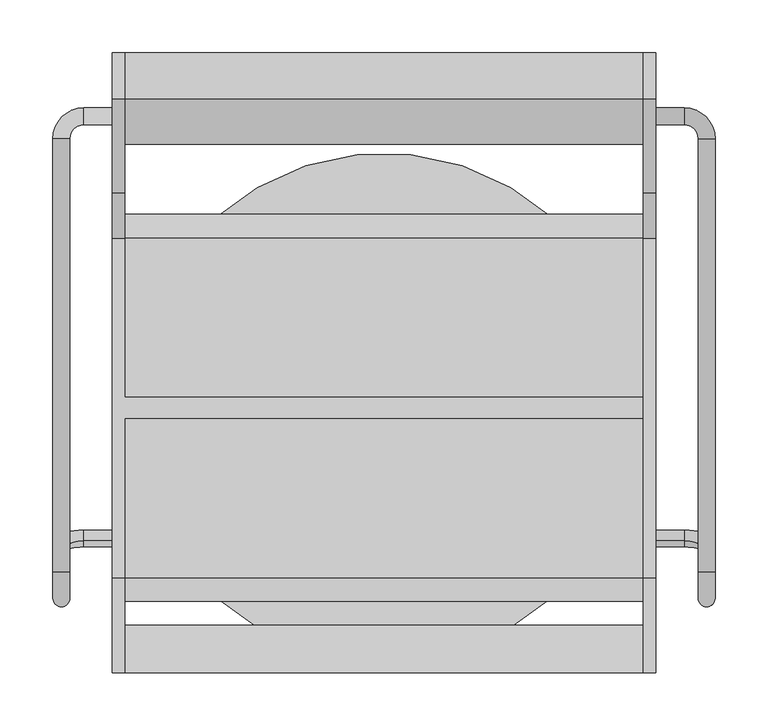
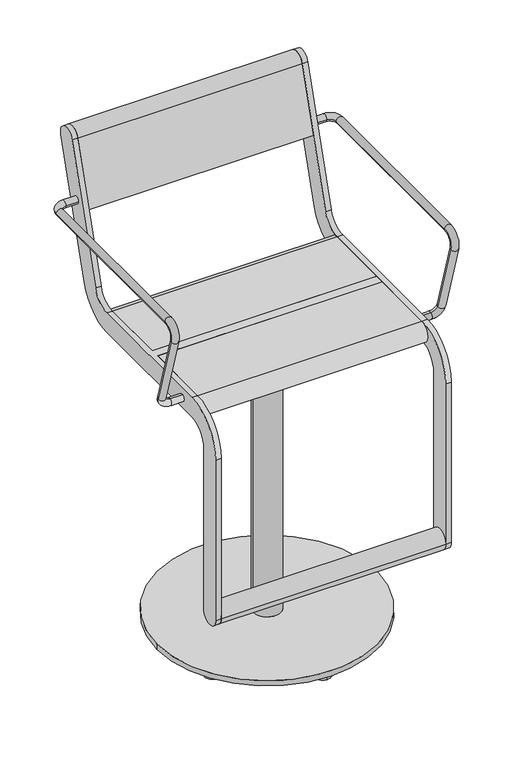
"""IFC4 building model written with IfcOpenShell, lengths in millimetres: furniture geometry."""

from ifc_helpers import new_model, si_unit, point, frame, frame_2d, origin, origin_2d, place, context, project, spatial, polyline, circle_curve, ellipse_curve, trimmed, segment, composite_curve, outline, extrude, source, transform, mapped, element, save
from ifc_brep_helpers import plane_surface, cylinder_surface, revolved_surface, advanced_brep


def furniture_d86000d9(model_context):
    return source(origin(), model_context, "Body", "SolidModel", [
        extrude(outline(composite_curve([segment(trimmed(circle_curve(origin_2d(), 40.0), [point((-40.0, 0.0))], [point((40.0, 0.0))], False, "CARTESIAN"), True, "CONTINUOUS"), segment(trimmed(circle_curve(origin_2d(), 40.0), [point((40.0, 0.0))], [point((-40.0, 0.0))], False, "CARTESIAN"), True, "CONTINUOUS")], self_intersect=False)), frame((0.0, 0.0, 578.999979), z_axis=(0.0, 0.0, 1.0), x_axis=(1.0, 0.0, 0.0)), (0.0, 0.0, 1.0), 60.0000441),
        extrude(outline(polyline([(75.0, 125.0), (75.0, -125.0), (-75.0, -125.0), (-75.0, 125.0), (75.0, 125.0)])), frame((0.0, 0.0, 639.0000231), z_axis=(0.0, 0.0, 1.0), x_axis=(1.0, 0.0, 0.0)), (0.0, 0.0, 1.0), 15.9999681),
        advanced_brep(
        [(-30.0, 0.0, 578.999979), (30.0, 0.0, 578.999979), (-30.0, 0.0, 27.0), (30.0, 0.0, 27.0), (-240.0, 0.0, 27.0), (240.0, 0.0, 27.0), (-240.0, 0.0, 15.0), (240.0, 0.0, 15.0), (0.0, 227.9750039, 15.0), (0.0, 193.9750039, 15.0), (180.0, -121.1370998, 15.0), (180.0, -87.1370998, 15.0), (0.0, -227.9750039, 15.0), (0.0, -193.9750039, 15.0), (-180.0, -121.1370998, 15.0), (-180.0, -87.1370998, 15.0), (180.0, 121.1370998, 15.0), (180.0, 87.1370998, 15.0), (-180.0, 121.1370998, 15.0), (-180.0, 87.1370998, 15.0), (0.0, 227.9750039, 0.0), (0.0, 193.9750039, 0.0), (180.0, -121.1370998, 0.0), (180.0, -87.1370998, 0.0), (0.0, -227.9750039, 0.0), (0.0, -193.9750039, 0.0), (-180.0, -121.1370998, 0.0), (-180.0, -87.1370998, 0.0), (180.0, 121.1370998, 0.0), (180.0, 87.1370998, 0.0), (-180.0, 121.1370998, 0.0), (-180.0, 87.1370998, 0.0)],
        [
            (0, 1, circle_curve(frame((0.0, 0.0, 578.999979), z_axis=(0.0, 0.0, 1.0), x_axis=(1.0, 0.0, 0.0)), 30.0)),
            (1, 0, circle_curve(frame((0.0, 0.0, 578.999979), z_axis=(0.0, 0.0, 1.0), x_axis=(1.0, 0.0, 0.0)), 30.0)),
            (0, 2),
            (2, 3, circle_curve(frame((0.0, 0.0, 27.0), z_axis=(0.0, 0.0, 1.0), x_axis=(1.0, 0.0, 0.0)), 30.0)),
            (3, 1),
            (3, 2, circle_curve(frame((0.0, 0.0, 27.0), z_axis=(0.0, 0.0, 1.0), x_axis=(1.0, 0.0, 0.0)), 30.0)),
            (4, 5, circle_curve(frame((0.0, 0.0, 27.0), z_axis=(0.0, 0.0, 1.0), x_axis=(1.0, 0.0, 0.0)), 240.0)),
            (5, 4, circle_curve(frame((0.0, 0.0, 27.0), z_axis=(0.0, 0.0, 1.0), x_axis=(1.0, 0.0, 0.0)), 240.0)),
            (6, 7, circle_curve(frame((0.0, 0.0, 15.0), z_axis=(0.0, 0.0, -1.0), x_axis=(1.0, 0.0, 0.0)), 240.0)),
            (7, 6, circle_curve(frame((0.0, 0.0, 15.0), z_axis=(0.0, 0.0, -1.0), x_axis=(1.0, 0.0, 0.0)), 240.0)),
            (8, 9, circle_curve(frame((0.0, 210.9750039, 15.0), z_axis=(0.0, 0.0, 1.0), x_axis=(0.0, -1.0, 0.0)), 17.0)),
            (9, 8, circle_curve(frame((0.0, 210.9750039, 15.0), z_axis=(0.0, 0.0, 1.0), x_axis=(0.0, -1.0, 0.0)), 17.0)),
            (10, 11, circle_curve(frame((180.0, -104.1370998, 15.0), z_axis=(0.0, 0.0, 1.0), x_axis=(0.0, 1.0, 0.0)), 17.0)),
            (11, 10, circle_curve(frame((180.0, -104.1370998, 15.0), z_axis=(0.0, 0.0, 1.0), x_axis=(0.0, 1.0, 0.0)), 17.0)),
            (12, 13, circle_curve(frame((0.0, -210.9750039, 15.0), z_axis=(0.0, 0.0, 1.0), x_axis=(0.0, 1.0, 0.0)), 17.0)),
            (13, 12, circle_curve(frame((0.0, -210.9750039, 15.0), z_axis=(0.0, 0.0, 1.0), x_axis=(0.0, 1.0, 0.0)), 17.0)),
            (14, 15, circle_curve(frame((-180.0, -104.1370998, 15.0), z_axis=(0.0, 0.0, 1.0), x_axis=(0.0, 1.0, 0.0)), 17.0)),
            (15, 14, circle_curve(frame((-180.0, -104.1370998, 15.0), z_axis=(0.0, 0.0, 1.0), x_axis=(0.0, 1.0, 0.0)), 17.0)),
            (16, 17, circle_curve(frame((180.0, 104.1370998, 15.0), z_axis=(0.0, 0.0, 1.0), x_axis=(0.0, -1.0, 0.0)), 17.0)),
            (17, 16, circle_curve(frame((180.0, 104.1370998, 15.0), z_axis=(0.0, 0.0, 1.0), x_axis=(0.0, -1.0, 0.0)), 17.0)),
            (18, 19, circle_curve(frame((-180.0, 104.1370998, 15.0), z_axis=(0.0, 0.0, 1.0), x_axis=(0.0, -1.0, 0.0)), 17.0)),
            (19, 18, circle_curve(frame((-180.0, 104.1370998, 15.0), z_axis=(0.0, 0.0, 1.0), x_axis=(0.0, -1.0, 0.0)), 17.0)),
            (20, 21, circle_curve(frame((0.0, 210.9750039, 0.0), z_axis=(0.0, 0.0, -1.0), x_axis=(0.0, -1.0, 0.0)), 17.0)),
            (21, 20, circle_curve(frame((0.0, 210.9750039, 0.0), z_axis=(0.0, 0.0, -1.0), x_axis=(0.0, -1.0, 0.0)), 17.0)),
            (22, 23, circle_curve(frame((180.0, -104.1370998, 0.0), z_axis=(0.0, 0.0, -1.0), x_axis=(0.0, 1.0, 0.0)), 17.0)),
            (23, 22, circle_curve(frame((180.0, -104.1370998, 0.0), z_axis=(0.0, 0.0, -1.0), x_axis=(0.0, 1.0, 0.0)), 17.0)),
            (24, 25, circle_curve(frame((0.0, -210.9750039, 0.0), z_axis=(0.0, 0.0, -1.0), x_axis=(0.0, 1.0, 0.0)), 17.0)),
            (25, 24, circle_curve(frame((0.0, -210.9750039, 0.0), z_axis=(0.0, 0.0, -1.0), x_axis=(0.0, 1.0, 0.0)), 17.0)),
            (26, 27, circle_curve(frame((-180.0, -104.1370998, 0.0), z_axis=(0.0, 0.0, -1.0), x_axis=(0.0, 1.0, 0.0)), 17.0)),
            (27, 26, circle_curve(frame((-180.0, -104.1370998, 0.0), z_axis=(0.0, 0.0, -1.0), x_axis=(0.0, 1.0, 0.0)), 17.0)),
            (28, 29, circle_curve(frame((180.0, 104.1370998, 0.0), z_axis=(0.0, 0.0, -1.0), x_axis=(0.0, -1.0, 0.0)), 17.0)),
            (29, 28, circle_curve(frame((180.0, 104.1370998, 0.0), z_axis=(0.0, 0.0, -1.0), x_axis=(0.0, -1.0, 0.0)), 17.0)),
            (30, 31, circle_curve(frame((-180.0, 104.1370998, 0.0), z_axis=(0.0, 0.0, -1.0), x_axis=(0.0, -1.0, 0.0)), 17.0)),
            (31, 30, circle_curve(frame((-180.0, 104.1370998, 0.0), z_axis=(0.0, 0.0, -1.0), x_axis=(0.0, -1.0, 0.0)), 17.0)),
            (21, 9),
            (8, 20),
            (23, 11),
            (10, 22),
            (4, 6),
            (7, 5),
            (25, 13),
            (12, 24),
            (27, 15),
            (14, 26),
            (29, 17),
            (16, 28),
            (31, 19),
            (18, 30),
        ],
        [
            plane_surface(frame((30.0, 0.0, 578.999979), z_axis=(0.0, 0.0, 1.0), x_axis=(0.0, 1.0, 0.0))),
            cylinder_surface(frame((0.0, 0.0, 27.0), z_axis=(0.0, 0.0, 1.0), x_axis=(1.0, 0.0, 0.0)), 30.0),
            plane_surface(frame((240.0, 0.0, 27.0), z_axis=(0.0, 0.0, 1.0), x_axis=(0.0, 1.0, 0.0))),
            plane_surface(frame((240.0, 0.0, 15.0), z_axis=(0.0, 0.0, -1.0), x_axis=(0.0, -1.0, 0.0))),
            plane_surface(frame((0.0, 193.9750039, 0.0), z_axis=(0.0, 0.0, -1.0), x_axis=(-1.0, 0.0, 0.0))),
            cylinder_surface(frame((0.0, 210.9750039, 0.0), z_axis=(0.0, 0.0, 1.0), x_axis=(0.0, -1.0, 0.0)), 17.0),
            cylinder_surface(frame((180.0, -104.1370998, 0.0), z_axis=(0.0, 0.0, 1.0), x_axis=(0.0, 1.0, 0.0)), 17.0),
            cylinder_surface(frame((0.0, 0.0, 15.0), z_axis=(0.0, 0.0, 1.0), x_axis=(1.0, 0.0, 0.0)), 240.0),
            cylinder_surface(frame((0.0, -210.9750039, 0.0), z_axis=(0.0, 0.0, 1.0), x_axis=(0.0, 1.0, 0.0)), 17.0),
            cylinder_surface(frame((-180.0, -104.1370998, 0.0), z_axis=(0.0, 0.0, 1.0), x_axis=(0.0, 1.0, 0.0)), 17.0),
            cylinder_surface(frame((180.0, 104.1370998, 0.0), z_axis=(0.0, 0.0, 1.0), x_axis=(0.0, -1.0, 0.0)), 17.0),
            cylinder_surface(frame((-180.0, 104.1370998, 0.0), z_axis=(0.0, 0.0, 1.0), x_axis=(0.0, -1.0, 0.0)), 17.0),
        ],
        [
            (0, [[1, 2]]),
            (1, [[-1, 3, 4, 5]]),
            (1, [[-2, -5, 6, -3]]),
            (2, [[7, 8], [-4, -6]]),
            (3, [[9, 10], [11, 12], [13, 14], [15, 16], [17, 18], [19, 20], [21, 22]]),
            (4, [[23, 24]]),
            (4, [[25, 26]]),
            (4, [[27, 28]]),
            (4, [[29, 30]]),
            (4, [[31, 32]]),
            (4, [[33, 34]]),
            (5, [[-24, 35, -11, 36]]),
            (5, [[-23, -36, -12, -35]]),
            (6, [[-26, 37, -13, 38]]),
            (6, [[-25, -38, -14, -37]]),
            (7, [[-7, 39, -10, 40]]),
            (7, [[-8, -40, -9, -39]]),
            (8, [[-28, 41, -15, 42]]),
            (8, [[-27, -42, -16, -41]]),
            (9, [[-30, 43, -17, 44]]),
            (9, [[-29, -44, -18, -43]]),
            (10, [[-32, 45, -19, 46]]),
            (10, [[-31, -46, -20, -45]]),
            (11, [[-34, 47, -21, 48]]),
            (11, [[-33, -48, -22, -47]]),
        ],
    ),
        advanced_brep(
        [(257.0, 267.0, 891.4999912), (257.0, 283.0, 891.4999912), (284.0, 267.0, 891.4999912), (284.0, 283.0, 891.4999912), (297.0, 254.0, 891.4999912), (313.0, 254.0, 891.4999912), (297.0, -155.6408049, 891.4999912), (313.0, -155.6408049, 891.4999912), (313.0, -179.5484238, 859.1906986), (297.0, -179.5484238, 859.1906986), (313.0, -130.1398058, 697.5823911), (297.0, -130.1398058, 697.5823911), (257.0, -126.3389736, 685.1504293), (257.0, -121.6610264, 669.8495532), (284.0, -121.6610264, 669.8495532), (284.0, -126.3389736, 685.1504293)],
        [
            (0, 1, circle_curve(frame((257.0, 275.0, 891.4999912), z_axis=(-1.0, 0.0, 0.0), x_axis=(0.0, 1.0, 0.0)), 8.0)),
            (1, 0, circle_curve(frame((257.0, 275.0, 891.4999912), z_axis=(-1.0, 0.0, 0.0), x_axis=(0.0, 1.0, 0.0)), 8.0)),
            (0, 2),
            (2, 3, circle_curve(frame((284.0, 275.0, 891.4999912), z_axis=(-1.0, 0.0, 0.0), x_axis=(0.0, 1.0, 0.0)), 8.0)),
            (3, 1),
            (3, 2, circle_curve(frame((284.0, 275.0, 891.4999912), z_axis=(-1.0, 0.0, 0.0), x_axis=(0.0, 1.0, 0.0)), 8.0)),
            (2, 4, circle_curve(frame((284.0, 254.0, 891.4999912), z_axis=(0.0, 0.0, -1.0), x_axis=(0.0, 1.0, 0.0)), 13.0)),
            (4, 5, circle_curve(frame((305.0, 254.0, 891.4999912), z_axis=(0.0, 1.0, 0.0), x_axis=(1.0, 0.0, 0.0)), 8.0)),
            (5, 3, circle_curve(frame((284.0, 254.0, 891.4999912), z_axis=(0.0, 0.0, 1.0), x_axis=(0.0, 1.0, 0.0)), 29.0)),
            (5, 4, circle_curve(frame((305.0, 254.0, 891.4999912), z_axis=(0.0, 1.0, 0.0), x_axis=(1.0, 0.0, 0.0)), 8.0)),
            (4, 6),
            (6, 7, circle_curve(frame((305.0, -155.6408049, 891.4999912), z_axis=(0.0, 1.0, 0.0), x_axis=(1.0, 0.0, 0.0)), 8.0)),
            (7, 5),
            (7, 6, circle_curve(frame((305.0, -155.6408049, 891.4999912), z_axis=(0.0, 1.0, 0.0), x_axis=(1.0, 0.0, 0.0)), 8.0)),
            (7, 8, circle_curve(frame((313.0, -155.6408049, 866.4999912), z_axis=(1.0, 0.0, 0.0), x_axis=(0.0, 0.0, 1.0)), 25.0)),
            (8, 9, circle_curve(frame((305.0, -179.5484238, 859.1906986), z_axis=(0.0, -0.2923717047227431, 0.9563047559630335), x_axis=(1.0, 0.0, 0.0)), 8.0)),
            (9, 6, circle_curve(frame((297.0, -155.6408049, 866.4999912), z_axis=(-1.0, 0.0, 0.0), x_axis=(0.0, 0.0, 1.0)), 25.0)),
            (9, 8, circle_curve(frame((305.0, -179.5484238, 859.1906986), z_axis=(0.0, -0.2923717047227435, 0.9563047559630334), x_axis=(1.0, 0.0, 0.0)), 8.0)),
            (8, 10),
            (10, 11, circle_curve(frame((305.0, -130.1398058, 697.5823911), z_axis=(0.0, -0.2923717047227379, 0.9563047559630351), x_axis=(1.0, 0.0, 0.0)), 8.0)),
            (11, 9),
            (11, 10, circle_curve(frame((305.0, -130.1398058, 697.5823911), z_axis=(0.0, -0.2923717047227379, 0.9563047559630351), x_axis=(1.0, 0.0, 0.0)), 8.0)),
            (12, 13, circle_curve(frame((257.0, -124.0, 677.4999912), z_axis=(-1.0, 0.0, 0.0), x_axis=(0.0, 0.2923717047227402, -0.9563047559630344)), 8.0)),
            (13, 12, circle_curve(frame((257.0, -124.0, 677.4999912), z_axis=(-1.0, 0.0, 0.0), x_axis=(0.0, 0.2923717047227402, -0.9563047559630344)), 8.0)),
            (13, 14),
            (14, 15, circle_curve(frame((284.0, -124.0, 677.4999912), z_axis=(-1.0, 0.0, 0.0), x_axis=(0.0, 0.2923717047227402, -0.9563047559630344)), 8.0)),
            (15, 12),
            (15, 14, circle_curve(frame((284.0, -124.0, 677.4999912), z_axis=(-1.0, 0.0, 0.0), x_axis=(0.0, 0.2923717047227402, -0.9563047559630344)), 8.0)),
            (14, 10, circle_curve(frame((284.0, -130.1398058, 697.5823911), z_axis=(0.0, -0.9563047559630344, -0.29237170472274027), x_axis=(0.0, 0.29237170472274027, -0.9563047559630344)), 29.0)),
            (11, 15, circle_curve(frame((284.0, -130.1398058, 697.5823911), z_axis=(0.0, 0.9563047559630344, 0.29237170472274027), x_axis=(0.0, 0.29237170472274027, -0.9563047559630344)), 13.0)),
        ],
        [
            plane_surface(frame((257.0, 275.0, -99.999782), z_axis=(-1.0, 0.0, 0.0), x_axis=(0.0, 0.0, 1.0))),
            cylinder_surface(frame((257.0, 275.0, 891.4999912), z_axis=(-1.0, 0.0, 0.0), x_axis=(0.0, 1.0, 0.0)), 8.0),
            revolved_surface(trimmed(ellipse_curve(frame((284.0, 275.0, 891.4999912), z_axis=(-1.0, 0.0, 0.0), x_axis=(0.0, 1.0, 0.0)), 8.0, 8.0), [point((284.0, 267.0, 891.4999912))], [point((284.0, 283.0, 891.4999912))], True, "CARTESIAN"), (284.0, 254.0, -99.999782), (0.0, 0.0, -1.0)),
            revolved_surface(trimmed(ellipse_curve(frame((284.0, 275.0, 891.4999912), z_axis=(-1.0, 0.0, 0.0), x_axis=(0.0, 1.0, 0.0)), 8.0, 8.0), [point((284.0, 283.0, 891.4999912))], [point((284.0, 267.0, 891.4999912))], True, "CARTESIAN"), (284.0, 254.0, -99.999782), (0.0, 0.0, -1.0)),
            cylinder_surface(frame((305.0, 254.0, 891.4999912), z_axis=(0.0, 1.0, 0.0), x_axis=(1.0, 0.0, 0.0)), 8.0),
            revolved_surface(trimmed(ellipse_curve(frame((305.0, -155.6408049, 891.4999912), z_axis=(0.0, 1.0, 0.0), x_axis=(1.0, 0.0, 0.0)), 8.0, 8.0), [point((313.0, -155.6408049, 891.4999912))], [point((297.0, -155.6408049, 891.4999912))], True, "CARTESIAN"), (0.0, -155.6408049, 866.4999912), (1.0, 0.0, 0.0)),
            revolved_surface(trimmed(ellipse_curve(frame((305.0, -155.6408049, 891.4999912), z_axis=(0.0, 1.0, 0.0), x_axis=(1.0, 0.0, 0.0)), 8.0, 8.0), [point((297.0, -155.6408049, 891.4999912))], [point((313.0, -155.6408049, 891.4999912))], True, "CARTESIAN"), (0.0, -155.6408049, 866.4999912), (1.0, 0.0, 0.0)),
            cylinder_surface(frame((305.0, -179.5484238, 859.1906986), z_axis=(0.0, -0.2923717047227379, 0.9563047559630351), x_axis=(1.0, 0.0, 0.0)), 8.0),
            plane_surface(frame((257.0, 489.469501, 865.0564398), z_axis=(-1.0, 0.0, 0.0), x_axis=(0.0, -0.9563047559630344, -0.29237170472274027))),
            cylinder_surface(frame((257.0, -124.0, 677.4999912), z_axis=(-1.0, 0.0, 0.0), x_axis=(0.0, 0.2923717047227402, -0.9563047559630344)), 8.0),
            revolved_surface(trimmed(ellipse_curve(frame((284.0, -124.0, 677.4999912), z_axis=(-1.0, 0.0, 0.0), x_axis=(0.0, 0.2923717047227402, -0.9563047559630344)), 8.0, 8.0), [point((284.0, -121.6610264, 669.8495532))], [point((284.0, -126.3389736, 685.1504293))], True, "CARTESIAN"), (284.0, 483.3296952, 885.1388397), (0.0, -0.9563047559630344, -0.29237170472274027)),
            revolved_surface(trimmed(ellipse_curve(frame((284.0, -124.0, 677.4999912), z_axis=(-1.0, 0.0, 0.0), x_axis=(0.0, 0.2923717047227402, -0.9563047559630344)), 8.0, 8.0), [point((284.0, -126.3389736, 685.1504293))], [point((284.0, -121.6610264, 669.8495532))], True, "CARTESIAN"), (284.0, 483.3296952, 885.1388397), (0.0, -0.9563047559630344, -0.29237170472274027)),
        ],
        [
            (0, [[1, 2]]),
            (1, [[-1, 3, 4, 5]]),
            (1, [[-2, -5, 6, -3]]),
            (2, [[-4, 7, 8, 9]]),
            (3, [[-6, -9, 10, -7]]),
            (4, [[11, 12, 13, -8]]),
            (4, [[-11, -10, -13, 14]]),
            (5, [[-14, 15, 16, 17]]),
            (6, [[-12, -17, 18, -15]]),
            (7, [[-16, 19, 20, 21]]),
            (7, [[-18, -21, 22, -19]]),
            (8, [[23, 24]]),
            (9, [[-24, 25, 26, 27]]),
            (9, [[-23, -27, 28, -25]]),
            (10, [[-26, 29, -22, 30]]),
            (11, [[-28, -30, -20, -29]]),
        ],
    ),
        extrude(outline(composite_curve([segment(trimmed(circle_curve(frame_2d((-228.4999475, 240.0002133)), 22.4999984), [point((-205.9999492, 240.0002133))], [point((-250.9999459, 240.0002133))], False, "CARTESIAN"), True, "CONTINUOUS"), segment(trimmed(circle_curve(frame_2d((-228.4999475, 240.0002133)), 22.4999984), [point((-250.9999459, 240.0002133))], [point((-205.9999492, 240.0002133))], False, "CARTESIAN"), True, "CONTINUOUS")], self_intersect=False)), frame((-245.0, 0.0, 0.0), z_axis=(1.0, 0.0, 0.0), x_axis=(0.0, 1.0, 0.0)), (0.0, 0.0, 1.0), 490.0),
        extrude(outline(composite_curve([segment(trimmed(circle_curve(frame_2d((312.5544541, 1013.1126327)), 22.5), [point((291.0375971, 1019.6909961))], [point((334.0713112, 1006.5342693))], False, "CARTESIAN"), True, "CONTINUOUS"), segment(polyline([(334.0713112, 1006.5342693), (246.067428, 718.6865378)]), True, "CONTINUOUS"), segment(trimmed(circle_curve(frame_2d((160.0, 744.9999912)), 90.0), [point((246.067428, 718.6865378))], [point((160.0, 654.9999912))], False, "CARTESIAN"), True, "CONTINUOUS"), segment(polyline([(160.0, 654.9999912), (-161.000007, 654.9999912)]), True, "CONTINUOUS"), segment(trimmed(circle_curve(frame_2d((-161.000007, 610.000049)), 44.9999422), [point((-161.000007, 654.9999912))], [point((-205.9999492, 610.000049))], True, "CARTESIAN"), True, "CONTINUOUS"), segment(polyline([(-205.9999492, 610.000049), (-205.9999492, 240.0002133)]), True, "CONTINUOUS"), segment(trimmed(circle_curve(frame_2d((-228.4999475, 240.0002133)), 22.4999984), [point((-205.9999492, 240.0002133))], [point((-250.9999459, 240.0002133))], False, "CARTESIAN"), True, "CONTINUOUS"), segment(polyline([(-250.9999459, 240.0002133), (-250.9999459, 610.0000453)]), True, "CONTINUOUS"), segment(trimmed(circle_curve(frame_2d((-161.0, 610.0000453)), 89.9999459), [point((-250.9999459, 610.0000453))], [point((-161.0, 699.9999912))], False, "CARTESIAN"), True, "CONTINUOUS"), segment(polyline([(-161.0, 699.9999912), (160.0, 699.9999912)]), True, "CONTINUOUS"), segment(trimmed(circle_curve(frame_2d((160.0, 744.9999912)), 45.0), [point((160.0, 699.9999912))], [point((203.033714, 731.8432645))], True, "CARTESIAN"), True, "CONTINUOUS"), segment(polyline([(203.033714, 731.8432645), (291.0375971, 1019.6909961)]), True, "CONTINUOUS")], self_intersect=False)), frame((245.0000214, 0.0, 0.0), z_axis=(1.0, 0.0, 0.0), x_axis=(0.0, 1.0, 0.0)), (0.0, 0.0, 1.0), 12.0),
        advanced_brep(
        [(-313.0, 254.0, 891.4999912), (-313.0, -155.6408049, 891.4999912), (-297.0, -155.6408049, 891.4999912), (-297.0, 254.0, 891.4999912), (-257.0, 267.0, 891.4999912), (-257.0, 283.0, 891.4999912), (-284.0, 283.0, 891.4999912), (-284.0, 267.0, 891.4999912), (-297.0, -179.5484238, 859.1906986), (-313.0, -179.5484238, 859.1906986), (-297.0, -130.1398058, 697.5823911), (-313.0, -130.1398058, 697.5823911), (-257.0, -126.3389736, 685.1504293), (-257.0, -121.6610264, 669.8495532), (-284.0, -126.3389736, 685.1504293), (-284.0, -121.6610264, 669.8495532)],
        [
            (0, 1),
            (1, 2, circle_curve(frame((-305.0, -155.6408049, 891.4999912), z_axis=(0.0, 1.0, 0.0), x_axis=(-1.0, 0.0, 0.0)), 8.0)),
            (2, 3),
            (3, 0, circle_curve(frame((-305.0, 254.0, 891.4999912), z_axis=(0.0, -1.0, 0.0), x_axis=(-1.0, 0.0, 0.0)), 8.0)),
            (0, 3, circle_curve(frame((-305.0, 254.0, 891.4999912), z_axis=(0.0, -1.0, 0.0), x_axis=(-1.0, 0.0, 0.0)), 8.0)),
            (2, 1, circle_curve(frame((-305.0, -155.6408049, 891.4999912), z_axis=(0.0, 1.0, 0.0), x_axis=(-1.0, 0.0, 0.0)), 8.0)),
            (4, 5, circle_curve(frame((-257.0, 275.0, 891.4999912), z_axis=(1.0, 0.0, 0.0), x_axis=(0.0, 1.0, 0.0)), 8.0)),
            (5, 4, circle_curve(frame((-257.0, 275.0, 891.4999912), z_axis=(1.0, 0.0, 0.0), x_axis=(0.0, 1.0, 0.0)), 8.0)),
            (5, 6),
            (6, 7, circle_curve(frame((-284.0, 275.0, 891.4999912), z_axis=(1.0, 0.0, 0.0), x_axis=(0.0, 1.0, 0.0)), 8.0)),
            (7, 4),
            (7, 6, circle_curve(frame((-284.0, 275.0, 891.4999912), z_axis=(1.0, 0.0, 0.0), x_axis=(0.0, 1.0, 0.0)), 8.0)),
            (6, 0, circle_curve(frame((-284.0, 254.0, 891.4999912), z_axis=(0.0, 0.0, 1.0), x_axis=(0.0, 1.0, 0.0)), 29.0)),
            (3, 7, circle_curve(frame((-284.0, 254.0, 891.4999912), z_axis=(0.0, 0.0, -1.0), x_axis=(0.0, 1.0, 0.0)), 13.0)),
            (2, 8, circle_curve(frame((-297.0, -155.6408049, 866.4999912), z_axis=(1.0, 0.0, 0.0), x_axis=(0.0, 0.0, 1.0)), 25.0)),
            (8, 9, circle_curve(frame((-305.0, -179.5484238, 859.1906986), z_axis=(0.0, -0.2923717047227431, 0.9563047559630335), x_axis=(-1.0, 0.0, 0.0)), 8.0)),
            (9, 1, circle_curve(frame((-313.0, -155.6408049, 866.4999912), z_axis=(-1.0, 0.0, 0.0), x_axis=(0.0, 0.0, 1.0)), 25.0)),
            (9, 8, circle_curve(frame((-305.0, -179.5484238, 859.1906986), z_axis=(0.0, -0.2923717047227431, 0.9563047559630335), x_axis=(-1.0, 0.0, 0.0)), 8.0)),
            (8, 10),
            (10, 11, circle_curve(frame((-305.0, -130.1398058, 697.5823911), z_axis=(0.0, -0.2923717047227379, 0.9563047559630351), x_axis=(-1.0, 0.0, 0.0)), 8.0)),
            (11, 9),
            (11, 10, circle_curve(frame((-305.0, -130.1398058, 697.5823911), z_axis=(0.0, -0.2923717047227379, 0.9563047559630351), x_axis=(-1.0, 0.0, 0.0)), 8.0)),
            (12, 13, circle_curve(frame((-257.0, -124.0, 677.4999912), z_axis=(1.0, 0.0, 0.0), x_axis=(0.0, 0.2923717047227402, -0.9563047559630344)), 8.0)),
            (13, 12, circle_curve(frame((-257.0, -124.0, 677.4999912), z_axis=(1.0, 0.0, 0.0), x_axis=(0.0, 0.2923717047227402, -0.9563047559630344)), 8.0)),
            (12, 14),
            (14, 15, circle_curve(frame((-284.0, -124.0, 677.4999912), z_axis=(1.0, 0.0, 0.0), x_axis=(0.0, 0.2923717047227402, -0.9563047559630344)), 8.0)),
            (15, 13),
            (15, 14, circle_curve(frame((-284.0, -124.0, 677.4999912), z_axis=(1.0, 0.0, 0.0), x_axis=(0.0, 0.2923717047227402, -0.9563047559630344)), 8.0)),
            (14, 10, circle_curve(frame((-284.0, -130.1398058, 697.5823911), z_axis=(0.0, 0.9563047559630344, 0.29237170472274027), x_axis=(0.0, 0.29237170472274027, -0.9563047559630344)), 13.0)),
            (11, 15, circle_curve(frame((-284.0, -130.1398058, 697.5823911), z_axis=(0.0, -0.9563047559630344, -0.29237170472274027), x_axis=(0.0, 0.29237170472274027, -0.9563047559630344)), 29.0)),
        ],
        [
            cylinder_surface(frame((-305.0, 254.0, 891.4999912), z_axis=(0.0, 1.0, 0.0), x_axis=(-1.0, 0.0, 0.0)), 8.0),
            plane_surface(frame((-257.0, 275.0, -99.999782), z_axis=(1.0, 0.0, 0.0), x_axis=(0.0, 0.0, 1.0))),
            cylinder_surface(frame((-257.0, 275.0, 891.4999912), z_axis=(1.0, 0.0, 0.0), x_axis=(0.0, 1.0, 0.0)), 8.0),
            revolved_surface(trimmed(ellipse_curve(frame((-284.0, 275.0, 891.4999912), z_axis=(1.0, 0.0, 0.0), x_axis=(0.0, 1.0, 0.0)), 8.0, 8.0), [point((-284.0, 283.0, 891.4999912))], [point((-284.0, 267.0, 891.4999912))], True, "CARTESIAN"), (-284.0, 254.0, -99.999782), (0.0, 0.0, 1.0)),
            revolved_surface(trimmed(ellipse_curve(frame((-284.0, 275.0, 891.4999912), z_axis=(1.0, 0.0, 0.0), x_axis=(0.0, 1.0, 0.0)), 8.0, 8.0), [point((-284.0, 267.0, 891.4999912))], [point((-284.0, 283.0, 891.4999912))], True, "CARTESIAN"), (-284.0, 254.0, -99.999782), (0.0, 0.0, 1.0)),
            revolved_surface(trimmed(ellipse_curve(frame((-305.0, -155.6408049, 891.4999912), z_axis=(0.0, 1.0, 0.0), x_axis=(-1.0, 0.0, 0.0)), 8.0, 8.0), [point((-297.0, -155.6408049, 891.4999912))], [point((-313.0, -155.6408049, 891.4999912))], True, "CARTESIAN"), (0.0, -155.6408049, 866.4999912), (1.0, 0.0, 0.0)),
            revolved_surface(trimmed(ellipse_curve(frame((-305.0, -155.6408049, 891.4999912), z_axis=(0.0, 1.0, 0.0), x_axis=(-1.0, 0.0, 0.0)), 8.0, 8.0), [point((-313.0, -155.6408049, 891.4999912))], [point((-297.0, -155.6408049, 891.4999912))], True, "CARTESIAN"), (0.0, -155.6408049, 866.4999912), (1.0, 0.0, 0.0)),
            cylinder_surface(frame((-305.0, -179.5484238, 859.1906986), z_axis=(0.0, -0.2923717047227379, 0.9563047559630351), x_axis=(-1.0, 0.0, 0.0)), 8.0),
            plane_surface(frame((-257.0, 489.469501, 865.0564398), z_axis=(1.0, 0.0, 0.0), x_axis=(0.0, -0.9563047559630344, -0.29237170472274027))),
            cylinder_surface(frame((-257.0, -124.0, 677.4999912), z_axis=(1.0, 0.0, 0.0), x_axis=(0.0, 0.2923717047227402, -0.9563047559630344)), 8.0),
            revolved_surface(trimmed(ellipse_curve(frame((-284.0, -124.0, 677.4999912), z_axis=(1.0, 0.0, 0.0), x_axis=(0.0, 0.2923717047227402, -0.9563047559630344)), 8.0, 8.0), [point((-284.0, -126.3389736, 685.1504293))], [point((-284.0, -121.6610264, 669.8495532))], True, "CARTESIAN"), (-284.0, 483.3296952, 885.1388397), (0.0, 0.9563047559630344, 0.29237170472274027)),
            revolved_surface(trimmed(ellipse_curve(frame((-284.0, -124.0, 677.4999912), z_axis=(1.0, 0.0, 0.0), x_axis=(0.0, 0.2923717047227402, -0.9563047559630344)), 8.0, 8.0), [point((-284.0, -121.6610264, 669.8495532))], [point((-284.0, -126.3389736, 685.1504293))], True, "CARTESIAN"), (-284.0, 483.3296952, 885.1388397), (0.0, 0.9563047559630344, 0.29237170472274027)),
        ],
        [
            (0, [[1, 2, 3, 4]]),
            (0, [[-1, 5, -3, 6]]),
            (1, [[7, 8]]),
            (2, [[-8, 9, 10, 11]]),
            (2, [[-7, -11, 12, -9]]),
            (3, [[-10, 13, -4, 14]]),
            (4, [[-12, -14, -5, -13]]),
            (5, [[-6, 15, 16, 17]]),
            (6, [[-2, -17, 18, -15]]),
            (7, [[-16, 19, 20, 21]]),
            (7, [[-18, -21, 22, -19]]),
            (8, [[23, 24]]),
            (9, [[-23, 25, 26, 27]]),
            (9, [[-24, -27, 28, -25]]),
            (10, [[-26, 29, -22, 30]]),
            (11, [[-28, -30, -20, -29]]),
        ],
    ),
        advanced_brep(
        [(-245.0, 291.0375971, 1019.6909961), (-245.0, 203.033714, 731.8432645), (-245.0, 160.0, 699.9999912), (-245.0, 9.5, 699.9999912), (-245.0, 9.5, 654.9999912), (-245.0, 160.0, 654.9999912), (-245.0, 246.067428, 718.6865378), (-245.0, 334.0713112, 1006.5342693), (-245.0, -161.0, 699.9999912), (-245.0, -250.9999459, 610.0000453), (-245.0, -250.9999459, 240.0002133), (-245.0, -205.9999492, 240.0002133), (-245.0, -205.9999492, 610.000049), (-245.0, -161.000007, 654.9999912), (-245.0, -10.5, 654.9999912), (-245.0, -10.5, 699.9999912), (-257.0, 291.0375971, 1019.6909961), (-257.0, 334.0713112, 1006.5342693), (-257.0, 246.067428, 718.6865378), (-257.0, 160.0, 654.9999912), (-257.0, -161.000007, 654.9999912), (-257.0, -205.9999492, 610.000049), (-257.0, -205.9999492, 240.0002133), (-257.0, -250.9999459, 240.0002133), (-257.0, -250.9999459, 610.0000453), (-257.0, -161.0, 699.9999912), (-257.0, 160.0, 699.9999912), (-257.0, 203.033714, 731.8432645), (245.0, -10.5, 699.9999912), (245.0, 9.5, 699.9999912), (245.0, 9.5, 654.9999912), (245.0, -10.5, 654.9999912)],
        [
            (0, 1),
            (1, 2, circle_curve(frame((-245.0, 160.0, 744.9999912), z_axis=(-1.0, 0.0, 0.0), x_axis=(0.0, -1.0, 0.0)), 45.0)),
            (2, 3),
            (3, 4),
            (4, 5),
            (5, 6, circle_curve(frame((-245.0, 160.0, 744.9999912), z_axis=(1.0, 0.0, 0.0), x_axis=(0.0, -1.0, 0.0)), 90.0)),
            (6, 7),
            (7, 0, circle_curve(frame((-245.0, 312.5544541, 1013.1126327), z_axis=(1.0, 0.0, 0.0), x_axis=(0.0, -1.0, 0.0)), 22.5)),
            (8, 9, circle_curve(frame((-245.0, -161.0, 610.0000453), z_axis=(1.0, 0.0, 0.0), x_axis=(0.0, -1.0, 0.0)), 89.9999459)),
            (9, 10),
            (10, 11, circle_curve(frame((-245.0, -228.4999475, 240.0002133), z_axis=(1.0, 0.0, 0.0), x_axis=(0.0, -1.0, 0.0)), 22.4999984)),
            (11, 12),
            (12, 13, circle_curve(frame((-245.0, -161.000007, 610.000049), z_axis=(-1.0, 0.0, 0.0), x_axis=(0.0, -1.0, 0.0)), 44.9999422)),
            (13, 14),
            (14, 15),
            (15, 8),
            (16, 17, circle_curve(frame((-257.0, 312.5544541, 1013.1126327), z_axis=(-1.0, 0.0, 0.0), x_axis=(0.0, -1.0, 0.0)), 22.5)),
            (17, 18),
            (18, 19, circle_curve(frame((-257.0, 160.0, 744.9999912), z_axis=(-1.0, 0.0, 0.0), x_axis=(0.0, -1.0, 0.0)), 90.0)),
            (19, 20),
            (20, 21, circle_curve(frame((-257.0, -161.000007, 610.000049), z_axis=(1.0, 0.0, 0.0), x_axis=(0.0, -1.0, 0.0)), 44.9999422)),
            (21, 22),
            (22, 23, circle_curve(frame((-257.0, -228.4999475, 240.0002133), z_axis=(-1.0, 0.0, 0.0), x_axis=(0.0, -1.0, 0.0)), 22.4999984)),
            (23, 24),
            (24, 25, circle_curve(frame((-257.0, -161.0, 610.0000453), z_axis=(-1.0, 0.0, 0.0), x_axis=(0.0, -1.0, 0.0)), 89.9999459)),
            (25, 26),
            (26, 27, circle_curve(frame((-257.0, 160.0, 744.9999912), z_axis=(1.0, 0.0, 0.0), x_axis=(0.0, -1.0, 0.0)), 45.0)),
            (27, 16),
            (0, 16),
            (27, 1),
            (26, 2),
            (25, 8),
            (15, 28),
            (28, 29),
            (29, 3),
            (19, 5),
            (4, 30),
            (30, 31),
            (31, 14),
            (13, 20),
            (18, 6),
            (17, 7),
            (28, 31),
            (30, 29),
            (24, 9),
            (23, 10),
            (22, 11),
            (21, 12),
        ],
        [
            plane_surface(frame((-245.0, 203.033714, 731.8432645), z_axis=(1.0, 0.0, 0.0), x_axis=(0.0, -0.2923717047227337, -0.9563047559630364))),
            plane_surface(frame((-257.0, 203.033714, 731.8432645), z_axis=(-1.0, 0.0, 0.0), x_axis=(0.0, 0.2923717047227337, 0.9563047559630364))),
            plane_surface(frame((-245.0, 291.0375971, 1019.6909961), z_axis=(0.0, -0.9563047559630364, 0.2923717047227337), x_axis=(-1.0, 0.0, 0.0))),
            revolved_surface(polyline([(-257.0, 115.0, 744.9999912), (-245.0, 115.0, 744.9999912)]), (-257.0, 160.0, 744.9999912), (-1.0, 0.0, 0.0)),
            plane_surface(frame((-245.0, 160.0, 699.9999912), z_axis=(0.0, 0.0, 1.0), x_axis=(-1.0, 0.0, 0.0))),
            plane_surface(frame((-245.0, -161.000007, 654.9999912), z_axis=(0.0, 0.0, -1.0), x_axis=(-1.0, 0.0, 0.0))),
            cylinder_surface(frame((-257.0, 160.0, 744.9999912), z_axis=(1.0, 0.0, 0.0), x_axis=(0.0, -1.0, 0.0)), 90.0),
            plane_surface(frame((-245.0, 246.067428, 718.6865378), z_axis=(0.0, 0.9563047559630364, -0.2923717047227337), x_axis=(-1.0, 0.0, 0.0))),
            cylinder_surface(frame((-257.0, 312.5544541, 1013.1126327), z_axis=(1.0, 0.0, 0.0), x_axis=(0.0, -1.0, 0.0)), 22.5),
            plane_surface(frame((245.0, -10.5, 699.9999912), z_axis=(1.0, 0.0, 0.0), x_axis=(0.0, -1.0, 0.0))),
            plane_surface(frame((245.0, -10.5, 699.9999912), z_axis=(0.0, -1.0, 0.0), x_axis=(-1.0, 0.0, 0.0))),
            plane_surface(frame((245.0, 9.5, 654.9999912), z_axis=(0.0, 1.0, 0.0), x_axis=(-1.0, 0.0, 0.0))),
            cylinder_surface(frame((-257.0, -161.0, 610.0000453), z_axis=(1.0, 0.0, 0.0), x_axis=(0.0, -1.0, 0.0)), 89.9999459),
            plane_surface(frame((-245.0, -250.9999459, 610.0000453), z_axis=(0.0, -1.0, 0.0), x_axis=(-1.0, 0.0, 0.0))),
            cylinder_surface(frame((-257.0, -228.4999475, 240.0002133), z_axis=(1.0, 0.0, 0.0), x_axis=(0.0, -1.0, 0.0)), 22.4999984),
            plane_surface(frame((-245.0, -205.9999492, 240.0002133), z_axis=(0.0, 1.0, 0.0), x_axis=(-1.0, 0.0, 0.0))),
            revolved_surface(polyline([(-257.0, -205.9999492, 610.000049), (-245.0, -205.9999492, 610.000049)]), (-257.0, -161.000007, 610.000049), (-1.0, 0.0, 0.0)),
        ],
        [
            (0, [[1, 2, 3, 4, 5, 6, 7, 8]]),
            (0, [[9, 10, 11, 12, 13, 14, 15, 16]]),
            (1, [[17, 18, 19, 20, 21, 22, 23, 24, 25, 26, 27, 28]]),
            (2, [[-1, 29, -28, 30]]),
            (3, [[-2, -30, -27, 31]]),
            (4, [[-26, 32, -16, 33, 34, 35, -3, -31]]),
            (5, [[-20, 36, -5, 37, 38, 39, -14, 40]]),
            (6, [[-6, -36, -19, 41]]),
            (7, [[-7, -41, -18, 42]]),
            (8, [[-8, -42, -17, -29]]),
            (9, [[-34, 43, -38, 44]]),
            (10, [[-43, -33, -15, -39]]),
            (11, [[-44, -37, -4, -35]]),
            (12, [[-9, -32, -25, 45]]),
            (13, [[-10, -45, -24, 46]]),
            (14, [[-11, -46, -23, 47]]),
            (15, [[-12, -47, -22, 48]]),
            (16, [[-13, -48, -21, -40]]),
        ],
    ),
        extrude(outline(composite_curve([segment(trimmed(circle_curve(frame_2d((312.5544541, 1013.1126327)), 22.5), [point((291.0375971, 1019.6909961))], [point((334.0713112, 1006.5342693))], False, "CARTESIAN"), True, "CONTINUOUS"), segment(polyline([(334.0713112, 1006.5342693), (291.5312281, 867.3919274), (248.4975141, 880.5486541), (291.0375971, 1019.6909961)]), True, "CONTINUOUS")], self_intersect=False)), frame((-245.0, 0.0, 0.0), z_axis=(1.0, 0.0, 0.0), x_axis=(0.0, 1.0, 0.0)), (0.0, 0.0, 1.0), 490.0),
        extrude(outline(composite_curve([segment(polyline([(9.5, 654.9999912), (9.5, 699.9999912), (160.0, 699.9999912)]), True, "CONTINUOUS"), segment(trimmed(circle_curve(frame_2d((160.0, 677.4999912)), 22.5), [point((160.0, 699.9999912))], [point((160.0, 654.9999912))], False, "CARTESIAN"), True, "CONTINUOUS"), segment(polyline([(160.0, 654.9999912), (9.5, 654.9999912)]), True, "CONTINUOUS")], self_intersect=False)), frame((-245.0, 0.0, 0.0), z_axis=(1.0, 0.0, 0.0), x_axis=(0.0, 1.0, 0.0)), (0.0, 0.0, 1.0), 490.0),
        extrude(outline(composite_curve([segment(polyline([(-10.5, 654.9999912), (-161.0, 654.9999912)]), True, "CONTINUOUS"), segment(trimmed(circle_curve(frame_2d((-161.0, 677.4999912)), 22.5), [point((-161.0, 654.9999912))], [point((-161.0, 699.9999912))], False, "CARTESIAN"), True, "CONTINUOUS"), segment(polyline([(-161.0, 699.9999912), (-10.5, 699.9999912), (-10.5, 654.9999912)]), True, "CONTINUOUS")], self_intersect=False)), frame((-245.0, 0.0, 0.0), z_axis=(1.0, 0.0, 0.0), x_axis=(0.0, 1.0, 0.0)), (0.0, 0.0, 1.0), 490.0),
    ])


if __name__ == "__main__":
    model = new_model("IFC4")
    model_context = context("Model", 3, world=origin())
    ifc_project = project(units=[si_unit("LENGTHUNIT", "METRE", prefix="MILLI")], contexts=[model_context])
    site = spatial("IfcSite", under=ifc_project)
    building = spatial("IfcBuilding", under=site)
    placement = place(None, origin())
    furniture_shape = furniture_d86000d9(model_context)
    element("IfcFurniture", 1, at=placement, inside=building, context=model_context, shape_type="MappedRepresentation", body=[
        mapped(furniture_shape, transform((0.0, 0.0, 0.0), x_axis=(1.0, 0.0, 0.0), y_axis=(0.0, 1.0, 0.0), z_axis=(0.0, 0.0, 1.0))),
    ])
    save(model, "model.ifc")
